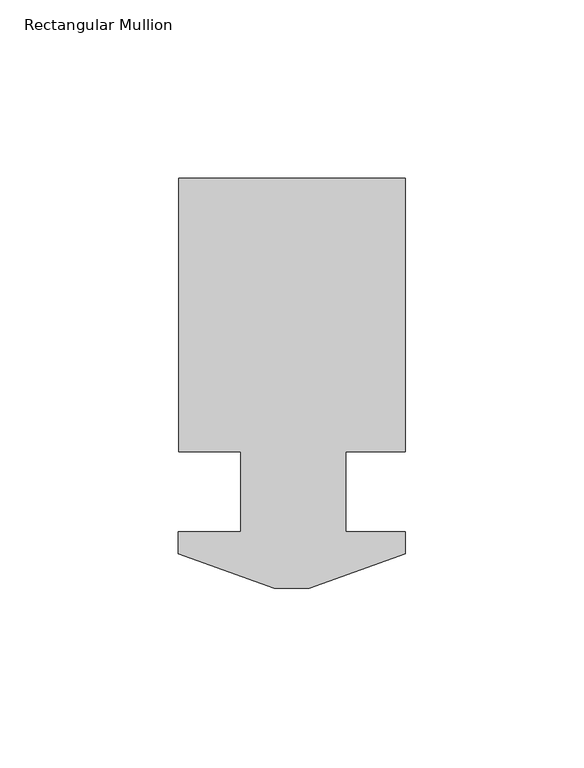
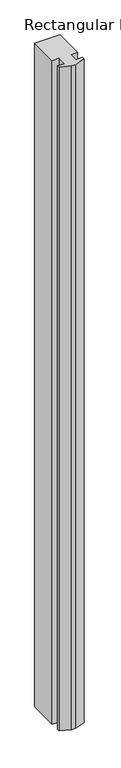
"""IFC4 building model written with IfcOpenShell, lengths in millimetres: member geometry, Rectangular Mullion."""

from ifc_helpers import new_model, si_unit, frame, origin, place, context, project, spatial, polyline, outline, extrude, source, transform, mapped, element, save


def rectangular_mullion_a913fe4c(model_context):
    return source(origin(), model_context, "Body", "SweptSolid", [
        extrude(outline(polyline([(-4.9772064, -0.0301625), (-31.7750021, 9.7234375), (-31.7750021, 15.8093595), (-14.2875, 15.8093595), (-14.2875, 38.2984375), (-31.75, 38.2984375), (-31.75, 114.8286375), (31.75, 114.8286375), (31.75, 38.2984375), (15.0622, 38.2984375), (15.0622, 15.8093595), (31.7249979, 15.8093595), (31.7249979, 9.7234375), (4.9272021, -0.0301625), (-4.9772064, -0.0301625)])), frame((0.0, 0.0, -1765.3), z_axis=(0.0, 0.0, 1.0), x_axis=(1.0, 0.0, 0.0)), (0.0, 0.0, 1.0), 1765.3),
    ])


if __name__ == "__main__":
    model = new_model("IFC4")
    model_context = context("Model", 3, world=origin())
    ifc_project = project(units=[si_unit("LENGTHUNIT", "METRE", prefix="MILLI")], contexts=[model_context])
    site = spatial("IfcSite", under=ifc_project)
    building = spatial("IfcBuilding", under=site)
    placement = place(None, origin())
    rectangular_mullion_shape = rectangular_mullion_a913fe4c(model_context)
    element("IfcMember", 1, ObjectType="Rectangular Mullion", at=placement, inside=building, context=model_context, shape_type="MappedRepresentation", body=[
        mapped(rectangular_mullion_shape, transform((0.0, 0.0, 0.0), x_axis=(1.0, 0.0, 0.0), y_axis=(0.0, 1.0, 0.0), z_axis=(0.0, 0.0, 1.0))),
    ])
    save(model, "model.ifc")
